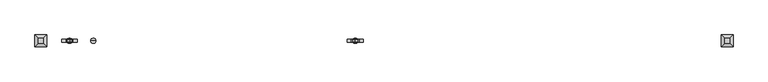
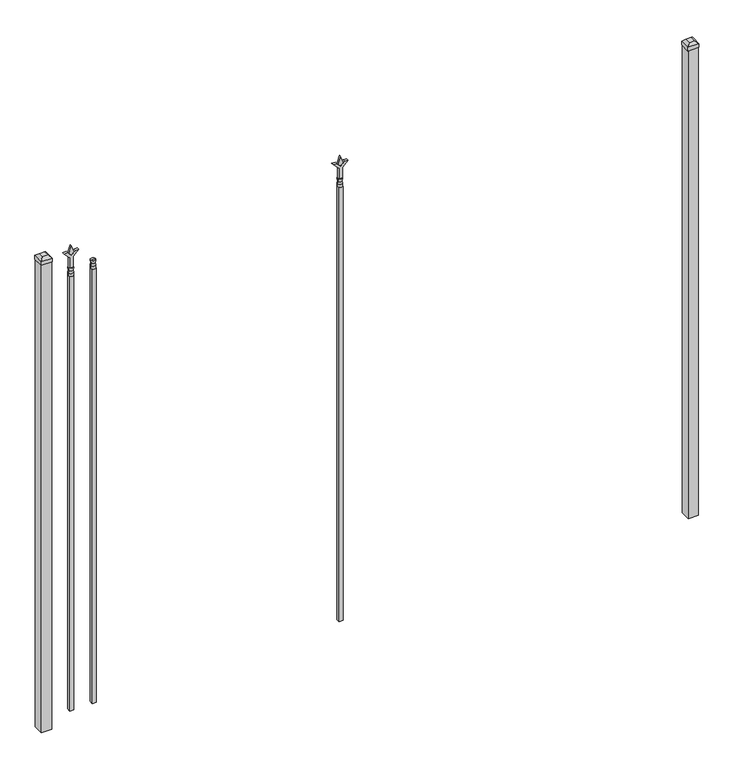
"""IFC4 building model written with IfcOpenShell, lengths in millimetres: railing geometry."""

from ifc_helpers import new_model, si_unit, frame, origin, origin_with_axes, place, context, project, spatial, polyline, circle_curve, outline, extrude, faceted_brep, source, transform, mapped, element, save
from ifc_brep_helpers import plane_surface, cylinder_surface, revolved_surface, advanced_brep


def railing_9b5557e2(model_context):
    return source(origin(), model_context, "Body", "SolidModel", [
        advanced_brep(
        [(-54996.3764203, 3022.3429826, 2298.7), (-55020.1889203, 3022.3429826, 2298.7), (-55020.1889203, 3022.3429826, 2286.0), (-54996.3764203, 3022.3429826, 2286.0), (-54998.5817522, 3022.3429826, 2311.2070585), (-55017.9835884, 3022.3429826, 2311.2070585), (-54996.3764203, 3022.3429826, 2327.275), (-55020.1889203, 3022.3429826, 2327.275), (-55008.2826703, 3022.3429826, 2327.275), (-55008.2826703, 3022.3429826, 2286.0)],
        [
            (0, 1, circle_curve(frame((-55008.2826703, 3022.3429826, 2298.7), z_axis=(0.0, 0.0, -1.0), x_axis=(-1.0, 0.0, 0.0)), 11.90625)),
            (1, 2),
            (2, 3, circle_curve(frame((-55008.2826703, 3022.3429826, 2286.0), z_axis=(0.0, 0.0, 1.0), x_axis=(-1.0, 0.0, 0.0)), 11.90625)),
            (3, 0),
            (1, 0, circle_curve(frame((-55008.2826703, 3022.3429826, 2298.7), z_axis=(0.0, 0.0, -1.0), x_axis=(-1.0, 0.0, 0.0)), 11.90625)),
            (3, 2, circle_curve(frame((-55008.2826703, 3022.3429826, 2286.0), z_axis=(0.0, 0.0, 1.0), x_axis=(-1.0, 0.0, 0.0)), 11.90625)),
            (4, 5, circle_curve(frame((-55008.2826703, 3022.3429826, 2311.2070585), z_axis=(0.0, 0.0, -1.0), x_axis=(-1.0, 0.0, 0.0)), 9.7009181)),
            (5, 1),
            (0, 4),
            (5, 4, circle_curve(frame((-55008.2826703, 3022.3429826, 2311.2070585), z_axis=(0.0, 0.0, -1.0), x_axis=(-1.0, 0.0, 0.0)), 9.7009181)),
            (6, 7, circle_curve(frame((-55008.2826703, 3022.3429826, 2327.275), z_axis=(0.0, 0.0, -1.0), x_axis=(-1.0, 0.0, 0.0)), 11.90625)),
            (7, 5),
            (4, 6),
            (7, 6, circle_curve(frame((-55008.2826703, 3022.3429826, 2327.275), z_axis=(0.0, 0.0, -1.0), x_axis=(-1.0, 0.0, 0.0)), 11.90625)),
            (8, 7),
            (6, 8),
            (2, 9),
            (9, 3),
        ],
        [
            cylinder_surface(frame((-55008.2826703, 3022.3429826, 2286.0), z_axis=(0.0, 0.0, 1.0), x_axis=(-1.0, 0.0, 0.0)), 11.90625),
            revolved_surface(polyline([(-55020.1889203, 3022.3429826, 2298.7), (-55017.9835884, 3022.3429826, 2311.2070585)]), (-55008.2826703, 3022.3429826, 2286.0), (0.0, 0.0, 1.0)),
            revolved_surface(polyline([(-55017.9835884, 3022.3429826, 2311.2070585), (-55020.1889203, 3022.3429826, 2327.275)]), (-55008.2826703, 3022.3429826, 2286.0), (0.0, 0.0, 1.0)),
            plane_surface(frame((-55008.2826703, 3022.3429826, 2327.275), z_axis=(0.0, 0.0, 1.0), x_axis=(-1.0, 0.0, 0.0))),
            plane_surface(frame((-55008.2826703, 3022.3429826, 2286.0), z_axis=(0.0, 0.0, -1.0), x_axis=(-1.0, 0.0, 0.0))),
        ],
        [
            (0, [[1, 2, 3, 4]]),
            (0, [[5, -4, 6, -2]]),
            (1, [[7, 8, -1, 9]]),
            (1, [[10, -9, -5, -8]]),
            (2, [[11, 12, -7, 13]]),
            (2, [[14, -13, -10, -12]]),
            (3, [[15, -11, 16]]),
            (3, [[-16, -14, -15]]),
            (4, [[-3, 17, 18]]),
            (4, [[-6, -18, -17]]),
        ],
    ),
        extrude(outline(polyline([(-55017.8076703, 3031.8679826), (-54998.7576703, 3031.8679826), (-54998.7576703, 3012.8179826), (-55017.8076703, 3012.8179826), (-55017.8076703, 3031.8679826)])), frame((0.0, 0.0, 50.8), z_axis=(0.0, 0.0, 1.0), x_axis=(1.0, 0.0, 0.0)), (0.0, 0.0, 1.0), 2235.2),
        extrude(outline(polyline([(2402.68125, -53794.374337), (2438.4, -53806.280587), (2402.68125, -53818.186837), (2390.775, -53806.280587), (2402.68125, -53794.374337)])), frame((0.0, 3017.5804826, 0.0), z_axis=(0.0, 1.0, 0.0), x_axis=(0.0, 0.0, 1.0)), (0.0, 0.0, 1.0), 9.525),
        extrude(outline(polyline([(2327.275, -53797.549337), (2381.5457378, -53797.549337), (2408.7355122, -53770.3595625), (2408.7355122, -53788.3200747), (2390.775, -53806.280587), (2408.7355122, -53824.2410992), (2408.7355122, -53842.2016114), (2381.5457378, -53815.011837), (2327.275, -53815.011837), (2327.275, -53797.549337)])), frame((0.0, 3015.9929826, 0.0), z_axis=(0.0, 1.0, 0.0), x_axis=(0.0, 0.0, 1.0)), (0.0, 0.0, 1.0), 12.7),
        advanced_brep(
        [(-53794.374337, 3022.3429826, 2298.7), (-53818.186837, 3022.3429826, 2298.7), (-53818.186837, 3022.3429826, 2286.0), (-53794.374337, 3022.3429826, 2286.0), (-53796.5796688, 3022.3429826, 2311.2070585), (-53815.9815051, 3022.3429826, 2311.2070585), (-53794.374337, 3022.3429826, 2327.275), (-53818.186837, 3022.3429826, 2327.275), (-53806.280587, 3022.3429826, 2327.275), (-53806.280587, 3022.3429826, 2286.0)],
        [
            (0, 1, circle_curve(frame((-53806.280587, 3022.3429826, 2298.7), z_axis=(0.0, 0.0, -1.0), x_axis=(-1.0, 0.0, 0.0)), 11.90625)),
            (1, 2),
            (2, 3, circle_curve(frame((-53806.280587, 3022.3429826, 2286.0), z_axis=(0.0, 0.0, 1.0), x_axis=(-1.0, 0.0, 0.0)), 11.90625)),
            (3, 0),
            (1, 0, circle_curve(frame((-53806.280587, 3022.3429826, 2298.7), z_axis=(0.0, 0.0, -1.0), x_axis=(-1.0, 0.0, 0.0)), 11.90625)),
            (3, 2, circle_curve(frame((-53806.280587, 3022.3429826, 2286.0), z_axis=(0.0, 0.0, 1.0), x_axis=(-1.0, 0.0, 0.0)), 11.90625)),
            (4, 5, circle_curve(frame((-53806.280587, 3022.3429826, 2311.2070585), z_axis=(0.0, 0.0, -1.0), x_axis=(-1.0, 0.0, 0.0)), 9.7009181)),
            (5, 1),
            (0, 4),
            (5, 4, circle_curve(frame((-53806.280587, 3022.3429826, 2311.2070585), z_axis=(0.0, 0.0, -1.0), x_axis=(-1.0, 0.0, 0.0)), 9.7009181)),
            (6, 7, circle_curve(frame((-53806.280587, 3022.3429826, 2327.275), z_axis=(0.0, 0.0, -1.0), x_axis=(-1.0, 0.0, 0.0)), 11.90625)),
            (7, 5),
            (4, 6),
            (7, 6, circle_curve(frame((-53806.280587, 3022.3429826, 2327.275), z_axis=(0.0, 0.0, -1.0), x_axis=(-1.0, 0.0, 0.0)), 11.90625)),
            (8, 7),
            (6, 8),
            (2, 9),
            (9, 3),
        ],
        [
            cylinder_surface(frame((-53806.280587, 3022.3429826, 2286.0), z_axis=(0.0, 0.0, 1.0), x_axis=(-1.0, 0.0, 0.0)), 11.90625),
            revolved_surface(polyline([(-53818.186837, 3022.3429826, 2298.7), (-53815.9815051, 3022.3429826, 2311.2070585)]), (-53806.280587, 3022.3429826, 2286.0), (0.0, 0.0, 1.0)),
            revolved_surface(polyline([(-53815.9815051, 3022.3429826, 2311.2070585), (-53818.186837, 3022.3429826, 2327.275)]), (-53806.280587, 3022.3429826, 2286.0), (0.0, 0.0, 1.0)),
            plane_surface(frame((-53806.280587, 3022.3429826, 2327.275), z_axis=(0.0, 0.0, 1.0), x_axis=(-1.0, 0.0, 0.0))),
            plane_surface(frame((-53806.280587, 3022.3429826, 2286.0), z_axis=(0.0, 0.0, -1.0), x_axis=(-1.0, 0.0, 0.0))),
        ],
        [
            (0, [[1, 2, 3, 4]]),
            (0, [[5, -4, 6, -2]]),
            (1, [[7, 8, -1, 9]]),
            (1, [[10, -9, -5, -8]]),
            (2, [[11, 12, -7, 13]]),
            (2, [[14, -13, -10, -12]]),
            (3, [[15, -11, 16]]),
            (3, [[-16, -14, -15]]),
            (4, [[-3, 17, 18]]),
            (4, [[-6, -18, -17]]),
        ],
    ),
        extrude(outline(polyline([(-53815.805587, 3031.8679826), (-53796.755587, 3031.8679826), (-53796.755587, 3012.8179826), (-53815.805587, 3012.8179826), (-53815.805587, 3031.8679826)])), frame((0.0, 0.0, 50.8), z_axis=(0.0, 0.0, 1.0), x_axis=(1.0, 0.0, 0.0)), (0.0, 0.0, 1.0), 2235.2),
        extrude(outline(polyline([(2402.68125, -55105.649337), (2438.4, -55117.555587), (2402.68125, -55129.461837), (2390.775, -55117.555587), (2402.68125, -55105.649337)])), frame((0.0, 3017.5804826, 0.0), z_axis=(0.0, 1.0, 0.0), x_axis=(0.0, 0.0, 1.0)), (0.0, 0.0, 1.0), 9.525),
        extrude(outline(polyline([(2327.275, -55108.824337), (2381.5457378, -55108.824337), (2408.7355122, -55081.6345625), (2408.7355122, -55099.5950747), (2390.775, -55117.555587), (2408.7355122, -55135.5160992), (2408.7355122, -55153.4766114), (2381.5457378, -55126.286837), (2327.275, -55126.286837), (2327.275, -55108.824337)])), frame((0.0, 3015.9929826, 0.0), z_axis=(0.0, 1.0, 0.0), x_axis=(0.0, 0.0, 1.0)), (0.0, 0.0, 1.0), 12.7),
        advanced_brep(
        [(-55105.649337, 3022.3429826, 2298.7), (-55129.461837, 3022.3429826, 2298.7), (-55129.461837, 3022.3429826, 2286.0), (-55105.649337, 3022.3429826, 2286.0), (-55107.8546688, 3022.3429826, 2311.2070585), (-55127.2565051, 3022.3429826, 2311.2070585), (-55105.649337, 3022.3429826, 2327.275), (-55129.461837, 3022.3429826, 2327.275), (-55117.555587, 3022.3429826, 2327.275), (-55117.555587, 3022.3429826, 2286.0)],
        [
            (0, 1, circle_curve(frame((-55117.555587, 3022.3429826, 2298.7), z_axis=(0.0, 0.0, -1.0), x_axis=(-1.0, 0.0, 0.0)), 11.90625)),
            (1, 2),
            (2, 3, circle_curve(frame((-55117.555587, 3022.3429826, 2286.0), z_axis=(0.0, 0.0, 1.0), x_axis=(-1.0, 0.0, 0.0)), 11.90625)),
            (3, 0),
            (1, 0, circle_curve(frame((-55117.555587, 3022.3429826, 2298.7), z_axis=(0.0, 0.0, -1.0), x_axis=(-1.0, 0.0, 0.0)), 11.90625)),
            (3, 2, circle_curve(frame((-55117.555587, 3022.3429826, 2286.0), z_axis=(0.0, 0.0, 1.0), x_axis=(-1.0, 0.0, 0.0)), 11.90625)),
            (4, 5, circle_curve(frame((-55117.555587, 3022.3429826, 2311.2070585), z_axis=(0.0, 0.0, -1.0), x_axis=(-1.0, 0.0, 0.0)), 9.7009181)),
            (5, 1),
            (0, 4),
            (5, 4, circle_curve(frame((-55117.555587, 3022.3429826, 2311.2070585), z_axis=(0.0, 0.0, -1.0), x_axis=(-1.0, 0.0, 0.0)), 9.7009181)),
            (6, 7, circle_curve(frame((-55117.555587, 3022.3429826, 2327.275), z_axis=(0.0, 0.0, -1.0), x_axis=(-1.0, 0.0, 0.0)), 11.90625)),
            (7, 5),
            (4, 6),
            (7, 6, circle_curve(frame((-55117.555587, 3022.3429826, 2327.275), z_axis=(0.0, 0.0, -1.0), x_axis=(-1.0, 0.0, 0.0)), 11.90625)),
            (8, 7),
            (6, 8),
            (2, 9),
            (9, 3),
        ],
        [
            cylinder_surface(frame((-55117.555587, 3022.3429826, 2286.0), z_axis=(0.0, 0.0, 1.0), x_axis=(-1.0, 0.0, 0.0)), 11.90625),
            revolved_surface(polyline([(-55129.461837, 3022.3429826, 2298.7), (-55127.2565051, 3022.3429826, 2311.2070585)]), (-55117.555587, 3022.3429826, 2286.0), (0.0, 0.0, 1.0)),
            revolved_surface(polyline([(-55127.2565051, 3022.3429826, 2311.2070585), (-55129.461837, 3022.3429826, 2327.275)]), (-55117.555587, 3022.3429826, 2286.0), (0.0, 0.0, 1.0)),
            plane_surface(frame((-55117.555587, 3022.3429826, 2327.275), z_axis=(0.0, 0.0, 1.0), x_axis=(-1.0, 0.0, 0.0))),
            plane_surface(frame((-55117.555587, 3022.3429826, 2286.0), z_axis=(0.0, 0.0, -1.0), x_axis=(-1.0, 0.0, 0.0))),
        ],
        [
            (0, [[1, 2, 3, 4]]),
            (0, [[5, -4, 6, -2]]),
            (1, [[7, 8, -1, 9]]),
            (1, [[10, -9, -5, -8]]),
            (2, [[11, 12, -7, 13]]),
            (2, [[14, -13, -10, -12]]),
            (3, [[15, -11, 16]]),
            (3, [[-16, -14, -15]]),
            (4, [[-3, 17, 18]]),
            (4, [[-6, -18, -17]]),
        ],
    ),
        extrude(outline(polyline([(-55127.080587, 3031.8679826), (-55108.030587, 3031.8679826), (-55108.030587, 3012.8179826), (-55127.080587, 3012.8179826), (-55127.080587, 3031.8679826)])), frame((0.0, 0.0, 50.8), z_axis=(0.0, 0.0, 1.0), x_axis=(1.0, 0.0, 0.0)), (0.0, 0.0, 1.0), 2235.2),
        extrude(outline(polyline([(-52074.318087, 3047.7429826), (-52074.318087, 2996.9429826), (-52125.118087, 2996.9429826), (-52125.118087, 3047.7429826), (-52074.318087, 3047.7429826)])), origin_with_axes(), (0.0, 0.0, 1.0), 2406.65),
        faceted_brep([(-52126.705587, 3049.3304826, 2425.7), (-52126.705587, 3049.3304826, 2406.65), (-52126.705587, 2995.3554826, 2406.65), (-52126.705587, 2995.3554826, 2425.7), (-52114.005587, 3036.6304826, 2438.4), (-52114.005587, 3008.0554826, 2438.4), (-52072.730587, 2995.3554826, 2406.65), (-52072.730587, 2995.3554826, 2425.7), (-52085.430587, 3008.0554826, 2438.4), (-52072.730587, 3049.3304826, 2406.65), (-52072.730587, 3049.3304826, 2425.7), (-52085.430587, 3036.6304826, 2438.4)], [[[0, 1, 2, 3]], [[4, 0, 3, 5]], [[3, 2, 6, 7]], [[5, 3, 7, 8]], [[7, 6, 9, 10]], [[8, 7, 10, 11]], [[10, 9, 1, 0]], [[11, 10, 0, 4]], [[5, 8, 11, 4]], [[1, 9, 6, 2]]]),
        extrude(outline(polyline([(-55223.918087, 3047.7429826), (-55223.918087, 2996.9429826), (-55274.718087, 2996.9429826), (-55274.718087, 3047.7429826), (-55223.918087, 3047.7429826)])), origin_with_axes(), (0.0, 0.0, 1.0), 2406.65),
        faceted_brep([(-55276.305587, 3049.3304826, 2425.7), (-55276.305587, 3049.3304826, 2406.65), (-55276.305587, 2995.3554826, 2406.65), (-55276.305587, 2995.3554826, 2425.7), (-55263.605587, 3036.6304826, 2438.4), (-55263.605587, 3008.0554826, 2438.4), (-55222.330587, 2995.3554826, 2406.65), (-55222.330587, 2995.3554826, 2425.7), (-55235.030587, 3008.0554826, 2438.4), (-55222.330587, 3049.3304826, 2406.65), (-55222.330587, 3049.3304826, 2425.7), (-55235.030587, 3036.6304826, 2438.4)], [[[0, 1, 2, 3]], [[4, 0, 3, 5]], [[3, 2, 6, 7]], [[5, 3, 7, 8]], [[7, 6, 9, 10]], [[8, 7, 10, 11]], [[10, 9, 1, 0]], [[11, 10, 0, 4]], [[5, 8, 11, 4]], [[1, 9, 6, 2]]]),
    ])


if __name__ == "__main__":
    model = new_model("IFC4")
    model_context = context("Model", 3, world=origin())
    ifc_project = project(units=[si_unit("LENGTHUNIT", "METRE", prefix="MILLI")], contexts=[model_context])
    site = spatial("IfcSite", under=ifc_project)
    building = spatial("IfcBuilding", under=site)
    placement = place(None, origin())
    railing_shape = railing_9b5557e2(model_context)
    element("IfcRailing", 1, at=placement, inside=building, context=model_context, shape_type="MappedRepresentation", body=[
        mapped(railing_shape, transform((0.0, 0.0, 0.0), x_axis=(1.0, 0.0, 0.0), y_axis=(0.0, 1.0, 0.0), z_axis=(0.0, 0.0, 1.0))),
    ])
    save(model, "model.ifc")
